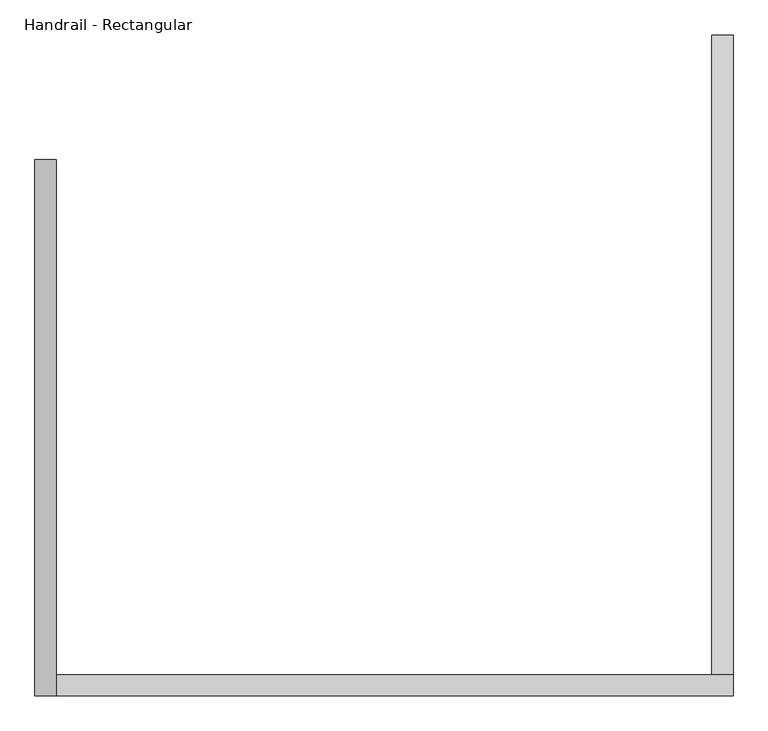
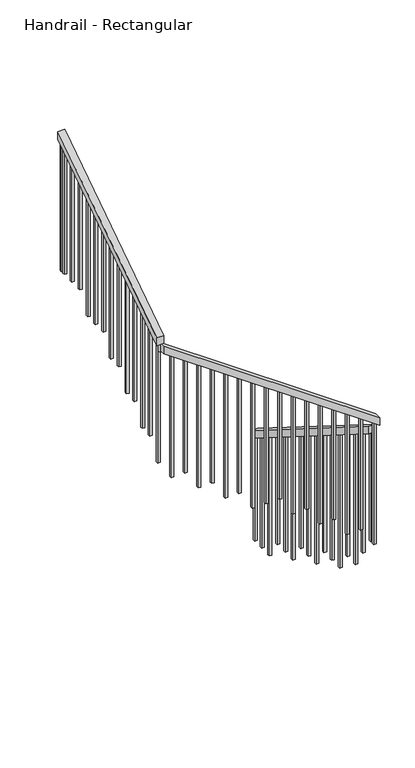
"""IFC4 building model written with IfcOpenShell, lengths in millimetres: railing geometry, Handrail - Rectangular."""

from ifc_helpers import new_model, si_unit, frame, origin, place, context, project, spatial, polyline, outline, extrude, source, transform, mapped, element, save


def handrail_rectangular_a6c4b69e(model_context):
    return source(origin(), model_context, "Body", "SweptSolid", [
        extrude(outline(polyline([(1433.050351, 1026.2616855), (1433.050351, 966.262535), (-104.946983, 1932.8339518), (-104.946983, 1992.8331023), (1433.050351, 1026.2616855)])), frame((2448.397955, 0.0, 0.0), z_axis=(1.0, 0.0, 0.0), x_axis=(0.0, 1.0, 0.0)), (0.0, 0.0, 1.0), 50.8),
        extrude(outline(polyline([(2013.8195246, 2499.197955), (2075.8158416, 2499.197955), (3213.8468075, 872.4032871), (3151.8504905, 872.4032871), (2013.8195246, 2499.197955)])), frame((0.0, -155.746983, 0.0), z_axis=(0.0, 1.0, 0.0), x_axis=(0.0, 0.0, 1.0)), (0.0, 0.0, 1.0), 50.8),
        extrude(outline(polyline([(-155.746983, 3236.3253667), (-155.746983, 3297.4188088), (1133.050351, 4158.4195911), (1133.050351, 4097.326149), (-155.746983, 3236.3253667)])), frame((821.6032871, 0.0, 0.0), z_axis=(1.0, 0.0, 0.0), x_axis=(0.0, 1.0, 0.0)), (0.0, 0.0, 1.0), 50.8),
        extrude(outline(polyline([(1079.328017, 4061.4361217), (1098.378017, 4074.1627657), (1098.378017, 3048.0), (1079.328017, 3048.0), (1079.328017, 4061.4361217)])), frame((837.4782871, 0.0, 0.0), z_axis=(1.0, 0.0, 0.0), x_axis=(0.0, 1.0, 0.0)), (0.0, 0.0, 1.0), 19.05),
        extrude(outline(polyline([(977.728017, 3993.5606868), (996.778017, 4006.2873309), (996.778017, 3048.0), (977.728017, 3048.0), (977.728017, 3993.5606868)])), frame((837.4782871, 0.0, 0.0), z_axis=(1.0, 0.0, 0.0), x_axis=(0.0, 1.0, 0.0)), (0.0, 0.0, 1.0), 19.05),
        extrude(outline(polyline([(876.128017, 3925.685252), (895.178017, 3938.411896), (895.178017, 3048.0), (876.128017, 3048.0), (876.128017, 3925.685252)])), frame((837.4782871, 0.0, 0.0), z_axis=(1.0, 0.0, 0.0), x_axis=(0.0, 1.0, 0.0)), (0.0, 0.0, 1.0), 19.05),
        extrude(outline(polyline([(774.528017, 3857.8098171), (793.578017, 3870.5364612), (793.578017, 2895.6), (774.528017, 2895.6), (774.528017, 3857.8098171)])), frame((837.4782871, 0.0, 0.0), z_axis=(1.0, 0.0, 0.0), x_axis=(0.0, 1.0, 0.0)), (0.0, 0.0, 1.0), 19.05),
        extrude(outline(polyline([(672.928017, 3789.9343823), (691.978017, 3802.6610263), (691.978017, 2895.6), (672.928017, 2895.6), (672.928017, 3789.9343823)])), frame((837.4782871, 0.0, 0.0), z_axis=(1.0, 0.0, 0.0), x_axis=(0.0, 1.0, 0.0)), (0.0, 0.0, 1.0), 19.05),
        extrude(outline(polyline([(571.328017, 3722.0589474), (590.378017, 3734.7855915), (590.378017, 2895.6), (571.328017, 2895.6), (571.328017, 3722.0589474)])), frame((837.4782871, 0.0, 0.0), z_axis=(1.0, 0.0, 0.0), x_axis=(0.0, 1.0, 0.0)), (0.0, 0.0, 1.0), 19.05),
        extrude(outline(polyline([(469.728017, 3654.1835126), (488.778017, 3666.9101566), (488.778017, 2743.2), (469.728017, 2743.2), (469.728017, 3654.1835126)])), frame((837.4782871, 0.0, 0.0), z_axis=(1.0, 0.0, 0.0), x_axis=(0.0, 1.0, 0.0)), (0.0, 0.0, 1.0), 19.05),
        extrude(outline(polyline([(368.128017, 3586.3080777), (387.178017, 3599.0347217), (387.178017, 2743.2), (368.128017, 2743.2), (368.128017, 3586.3080777)])), frame((837.4782871, 0.0, 0.0), z_axis=(1.0, 0.0, 0.0), x_axis=(0.0, 1.0, 0.0)), (0.0, 0.0, 1.0), 19.05),
        extrude(outline(polyline([(266.528017, 3518.4326429), (285.578017, 3531.1592869), (285.578017, 2590.8), (266.528017, 2590.8), (266.528017, 3518.4326429)])), frame((837.4782871, 0.0, 0.0), z_axis=(1.0, 0.0, 0.0), x_axis=(0.0, 1.0, 0.0)), (0.0, 0.0, 1.0), 19.05),
        extrude(outline(polyline([(164.928017, 3450.557208), (183.978017, 3463.283852), (183.978017, 2590.8), (164.928017, 2590.8), (164.928017, 3450.557208)])), frame((837.4782871, 0.0, 0.0), z_axis=(1.0, 0.0, 0.0), x_axis=(0.0, 1.0, 0.0)), (0.0, 0.0, 1.0), 19.05),
        extrude(outline(polyline([(63.328017, 3382.6817731), (82.378017, 3395.4084172), (82.378017, 2438.4), (63.328017, 2438.4), (63.328017, 3382.6817731)])), frame((837.4782871, 0.0, 0.0), z_axis=(1.0, 0.0, 0.0), x_axis=(0.0, 1.0, 0.0)), (0.0, 0.0, 1.0), 19.05),
        extrude(outline(polyline([(-38.271983, 3314.8063383), (-19.221983, 3327.5329823), (-19.221983, 2438.4), (-38.271983, 2438.4), (-38.271983, 3314.8063383)])), frame((837.4782871, 0.0, 0.0), z_axis=(1.0, 0.0, 0.0), x_axis=(0.0, 1.0, 0.0)), (0.0, 0.0, 1.0), 19.05),
        extrude(outline(polyline([(3162.1201778, 857.722955), (3175.4466844, 838.672955), (2286.0, 838.672955), (2286.0, 857.722955), (3162.1201778, 857.722955)])), frame((0.0, -139.871983, 0.0), z_axis=(0.0, 1.0, 0.0), x_axis=(0.0, 0.0, 1.0)), (0.0, 0.0, 1.0), 19.05),
        extrude(outline(polyline([(3091.0454759, 959.322955), (3104.3719825, 940.272955), (2133.6, 940.272955), (2133.6, 959.322955), (3091.0454759, 959.322955)])), frame((0.0, -139.871983, 0.0), z_axis=(0.0, 1.0, 0.0), x_axis=(0.0, 0.0, 1.0)), (0.0, 0.0, 1.0), 19.05),
        extrude(outline(polyline([(3019.9707739, 1060.922955), (3033.2972805, 1041.872955), (2133.6, 1041.872955), (2133.6, 1060.922955), (3019.9707739, 1060.922955)])), frame((0.0, -139.871983, 0.0), z_axis=(0.0, 1.0, 0.0), x_axis=(0.0, 0.0, 1.0)), (0.0, 0.0, 1.0), 19.05),
        extrude(outline(polyline([(2948.896072, 1162.522955), (2962.2225786, 1143.472955), (1981.2, 1143.472955), (1981.2, 1162.522955), (2948.896072, 1162.522955)])), frame((0.0, -139.871983, 0.0), z_axis=(0.0, 1.0, 0.0), x_axis=(0.0, 0.0, 1.0)), (0.0, 0.0, 1.0), 19.05),
        extrude(outline(polyline([(2877.8213701, 1264.122955), (2891.1478767, 1245.072955), (1981.2, 1245.072955), (1981.2, 1264.122955), (2877.8213701, 1264.122955)])), frame((0.0, -139.871983, 0.0), z_axis=(0.0, 1.0, 0.0), x_axis=(0.0, 0.0, 1.0)), (0.0, 0.0, 1.0), 19.05),
        extrude(outline(polyline([(2806.7466681, 1365.722955), (2820.0731747, 1346.672955), (1828.8, 1346.672955), (1828.8, 1365.722955), (2806.7466681, 1365.722955)])), frame((0.0, -139.871983, 0.0), z_axis=(0.0, 1.0, 0.0), x_axis=(0.0, 0.0, 1.0)), (0.0, 0.0, 1.0), 19.05),
        extrude(outline(polyline([(2735.6719662, 1467.322955), (2748.9984728, 1448.272955), (1828.8, 1448.272955), (1828.8, 1467.322955), (2735.6719662, 1467.322955)])), frame((0.0, -139.871983, 0.0), z_axis=(0.0, 1.0, 0.0), x_axis=(0.0, 0.0, 1.0)), (0.0, 0.0, 1.0), 19.05),
        extrude(outline(polyline([(2664.5972642, 1568.922955), (2677.9237709, 1549.872955), (1676.4, 1549.872955), (1676.4, 1568.922955), (2664.5972642, 1568.922955)])), frame((0.0, -139.871983, 0.0), z_axis=(0.0, 1.0, 0.0), x_axis=(0.0, 0.0, 1.0)), (0.0, 0.0, 1.0), 19.05),
        extrude(outline(polyline([(2593.5225623, 1670.522955), (2606.8490689, 1651.472955), (1676.4, 1651.472955), (1676.4, 1670.522955), (2593.5225623, 1670.522955)])), frame((0.0, -139.871983, 0.0), z_axis=(0.0, 1.0, 0.0), x_axis=(0.0, 0.0, 1.0)), (0.0, 0.0, 1.0), 19.05),
        extrude(outline(polyline([(2522.4478604, 1772.122955), (2535.774367, 1753.072955), (1676.4, 1753.072955), (1676.4, 1772.122955), (2522.4478604, 1772.122955)])), frame((0.0, -139.871983, 0.0), z_axis=(0.0, 1.0, 0.0), x_axis=(0.0, 0.0, 1.0)), (0.0, 0.0, 1.0), 19.05),
        extrude(outline(polyline([(2451.3731584, 1873.722955), (2464.699665, 1854.672955), (1524.0, 1854.672955), (1524.0, 1873.722955), (2451.3731584, 1873.722955)])), frame((0.0, -139.871983, 0.0), z_axis=(0.0, 1.0, 0.0), x_axis=(0.0, 0.0, 1.0)), (0.0, 0.0, 1.0), 19.05),
        extrude(outline(polyline([(2380.2984565, 1975.322955), (2393.6249631, 1956.272955), (1524.0, 1956.272955), (1524.0, 1975.322955), (2380.2984565, 1975.322955)])), frame((0.0, -139.871983, 0.0), z_axis=(0.0, 1.0, 0.0), x_axis=(0.0, 0.0, 1.0)), (0.0, 0.0, 1.0), 19.05),
        extrude(outline(polyline([(2309.2237546, 2076.922955), (2322.5502612, 2057.872955), (1371.6, 2057.872955), (1371.6, 2076.922955), (2309.2237546, 2076.922955)])), frame((0.0, -139.871983, 0.0), z_axis=(0.0, 1.0, 0.0), x_axis=(0.0, 0.0, 1.0)), (0.0, 0.0, 1.0), 19.05),
        extrude(outline(polyline([(2238.1490526, 2178.522955), (2251.4755592, 2159.472955), (1371.6, 2159.472955), (1371.6, 2178.522955), (2238.1490526, 2178.522955)])), frame((0.0, -139.871983, 0.0), z_axis=(0.0, 1.0, 0.0), x_axis=(0.0, 0.0, 1.0)), (0.0, 0.0, 1.0), 19.05),
        extrude(outline(polyline([(2167.0743507, 2280.122955), (2180.4008573, 2261.072955), (1219.2, 2261.072955), (1219.2, 2280.122955), (2167.0743507, 2280.122955)])), frame((0.0, -139.871983, 0.0), z_axis=(0.0, 1.0, 0.0), x_axis=(0.0, 0.0, 1.0)), (0.0, 0.0, 1.0), 19.05),
        extrude(outline(polyline([(2095.9996487, 2381.722955), (2109.3261554, 2362.672955), (1219.2, 2362.672955), (1219.2, 2381.722955), (2095.9996487, 2381.722955)])), frame((0.0, -139.871983, 0.0), z_axis=(0.0, 1.0, 0.0), x_axis=(0.0, 0.0, 1.0)), (0.0, 0.0, 1.0), 19.05),
        extrude(outline(polyline([(-100.474649, 1930.0232641), (-81.424649, 1918.0510812), (-81.424649, 1066.8), (-100.474649, 1066.8), (-100.474649, 1930.0232641)])), frame((2464.272955, 0.0, 0.0), z_axis=(1.0, 0.0, 0.0), x_axis=(0.0, 1.0, 0.0)), (0.0, 0.0, 1.0), 19.05),
        extrude(outline(polyline([(1.125351, 1866.1716216), (20.175351, 1854.1994387), (20.175351, 914.4), (1.125351, 914.4), (1.125351, 1866.1716216)])), frame((2464.272955, 0.0, 0.0), z_axis=(1.0, 0.0, 0.0), x_axis=(0.0, 1.0, 0.0)), (0.0, 0.0, 1.0), 19.05),
        extrude(outline(polyline([(102.725351, 1802.3199791), (121.775351, 1790.3477961), (121.775351, 762.0), (102.725351, 762.0), (102.725351, 1802.3199791)])), frame((2464.272955, 0.0, 0.0), z_axis=(1.0, 0.0, 0.0), x_axis=(0.0, 1.0, 0.0)), (0.0, 0.0, 1.0), 19.05),
        extrude(outline(polyline([(204.325351, 1738.4683366), (223.375351, 1726.4961536), (223.375351, 762.0), (204.325351, 762.0), (204.325351, 1738.4683366)])), frame((2464.272955, 0.0, 0.0), z_axis=(1.0, 0.0, 0.0), x_axis=(0.0, 1.0, 0.0)), (0.0, 0.0, 1.0), 19.05),
        extrude(outline(polyline([(305.925351, 1674.6166941), (324.975351, 1662.6445111), (324.975351, 609.6), (305.925351, 609.6), (305.925351, 1674.6166941)])), frame((2464.272955, 0.0, 0.0), z_axis=(1.0, 0.0, 0.0), x_axis=(0.0, 1.0, 0.0)), (0.0, 0.0, 1.0), 19.05),
        extrude(outline(polyline([(407.525351, 1610.7650516), (426.575351, 1598.7928686), (426.575351, 609.6), (407.525351, 609.6), (407.525351, 1610.7650516)])), frame((2464.272955, 0.0, 0.0), z_axis=(1.0, 0.0, 0.0), x_axis=(0.0, 1.0, 0.0)), (0.0, 0.0, 1.0), 19.05),
        extrude(outline(polyline([(509.125351, 1546.9134091), (528.175351, 1534.9412261), (528.175351, 609.6), (509.125351, 609.6), (509.125351, 1546.9134091)])), frame((2464.272955, 0.0, 0.0), z_axis=(1.0, 0.0, 0.0), x_axis=(0.0, 1.0, 0.0)), (0.0, 0.0, 1.0), 19.05),
        extrude(outline(polyline([(610.725351, 1483.0617666), (629.775351, 1471.0895836), (629.775351, 457.2), (610.725351, 457.2), (610.725351, 1483.0617666)])), frame((2464.272955, 0.0, 0.0), z_axis=(1.0, 0.0, 0.0), x_axis=(0.0, 1.0, 0.0)), (0.0, 0.0, 1.0), 19.05),
        extrude(outline(polyline([(712.325351, 1419.210124), (731.375351, 1407.2379411), (731.375351, 457.2), (712.325351, 457.2), (712.325351, 1419.210124)])), frame((2464.272955, 0.0, 0.0), z_axis=(1.0, 0.0, 0.0), x_axis=(0.0, 1.0, 0.0)), (0.0, 0.0, 1.0), 19.05),
        extrude(outline(polyline([(813.925351, 1355.3584815), (832.975351, 1343.3862986), (832.975351, 457.2), (813.925351, 457.2), (813.925351, 1355.3584815)])), frame((2464.272955, 0.0, 0.0), z_axis=(1.0, 0.0, 0.0), x_axis=(0.0, 1.0, 0.0)), (0.0, 0.0, 1.0), 19.05),
        extrude(outline(polyline([(915.525351, 1291.506839), (934.575351, 1279.5346561), (934.575351, 304.8), (915.525351, 304.8), (915.525351, 1291.506839)])), frame((2464.272955, 0.0, 0.0), z_axis=(1.0, 0.0, 0.0), x_axis=(0.0, 1.0, 0.0)), (0.0, 0.0, 1.0), 19.05),
        extrude(outline(polyline([(1017.125351, 1227.6551965), (1036.175351, 1215.6830135), (1036.175351, 304.8), (1017.125351, 304.8), (1017.125351, 1227.6551965)])), frame((2464.272955, 0.0, 0.0), z_axis=(1.0, 0.0, 0.0), x_axis=(0.0, 1.0, 0.0)), (0.0, 0.0, 1.0), 19.05),
        extrude(outline(polyline([(1118.725351, 1163.803554), (1137.775351, 1151.831371), (1137.775351, 304.8), (1118.725351, 304.8), (1118.725351, 1163.803554)])), frame((2464.272955, 0.0, 0.0), z_axis=(1.0, 0.0, 0.0), x_axis=(0.0, 1.0, 0.0)), (0.0, 0.0, 1.0), 19.05),
        extrude(outline(polyline([(1220.325351, 1099.9519115), (1239.375351, 1087.9797285), (1239.375351, 152.4), (1220.325351, 152.4), (1220.325351, 1099.9519115)])), frame((2464.272955, 0.0, 0.0), z_axis=(1.0, 0.0, 0.0), x_axis=(0.0, 1.0, 0.0)), (0.0, 0.0, 1.0), 19.05),
        extrude(outline(polyline([(1321.925351, 1036.100269), (1340.975351, 1024.128086), (1340.975351, 152.4), (1321.925351, 152.4), (1321.925351, 1036.100269)])), frame((2464.272955, 0.0, 0.0), z_axis=(1.0, 0.0, 0.0), x_axis=(0.0, 1.0, 0.0)), (0.0, 0.0, 1.0), 19.05),
        extrude(outline(polyline([(-139.871983, 3246.9309034), (-120.821983, 3259.6575475), (-120.821983, 2286.0), (-139.871983, 2286.0), (-139.871983, 3246.9309034)])), frame((837.4782871, 0.0, 0.0), z_axis=(1.0, 0.0, 0.0), x_axis=(0.0, 1.0, 0.0)), (0.0, 0.0, 1.0), 19.05),
        extrude(outline(polyline([(2024.9249468, 2483.322955), (2038.2514534, 2464.272955), (1066.8, 2464.272955), (1066.8, 2483.322955), (2024.9249468, 2483.322955)])), frame((0.0, -139.871983, 0.0), z_axis=(0.0, 1.0, 0.0), x_axis=(0.0, 0.0, 1.0)), (0.0, 0.0, 1.0), 19.05),
        extrude(outline(polyline([(1114.025351, 4084.6162066), (1133.075351, 4097.3428507), (1133.075351, 3048.0), (1114.025351, 3048.0), (1114.025351, 4084.6162066)])), frame((837.4782871, 0.0, 0.0), z_axis=(1.0, 0.0, 0.0), x_axis=(0.0, 1.0, 0.0)), (0.0, 0.0, 1.0), 19.05),
        extrude(outline(polyline([(1414.025351, 978.2190064), (1433.075351, 966.2468235), (1433.075351, 152.4), (1414.025351, 152.4), (1414.025351, 978.2190064)])), frame((2464.272955, 0.0, 0.0), z_axis=(1.0, 0.0, 0.0), x_axis=(0.0, 1.0, 0.0)), (0.0, 0.0, 1.0), 19.05),
    ])


if __name__ == "__main__":
    model = new_model("IFC4")
    model_context = context("Model", 3, world=origin())
    ifc_project = project(units=[si_unit("LENGTHUNIT", "METRE", prefix="MILLI")], contexts=[model_context])
    site = spatial("IfcSite", under=ifc_project)
    building = spatial("IfcBuilding", under=site)
    placement = place(None, origin())
    handrail_rectangular_shape = handrail_rectangular_a6c4b69e(model_context)
    element("IfcRailing", 1, ObjectType="Handrail - Rectangular", at=placement, inside=building, context=model_context, shape_type="MappedRepresentation", body=[
        mapped(handrail_rectangular_shape, transform((0.0, 0.0, 0.0), x_axis=(1.0, 0.0, 0.0), y_axis=(0.0, 1.0, 0.0), z_axis=(0.0, 0.0, 1.0))),
    ])
    save(model, "model.ifc")
